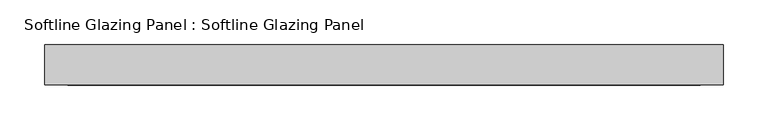
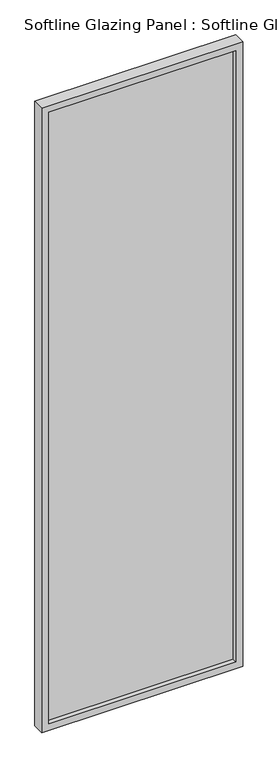
"""IFC4 building model written with IfcOpenShell, lengths in millimetres: plate geometry, Softline Glazing Panel : Softline Glazing Panel."""

from ifc_helpers import new_model, si_unit, frame, origin, place, context, project, spatial, polyline, outline, extrude, faceted_brep, source, transform, mapped, element, save


def softline_glazing_panel_softline_glazing_panel_fbdb63d7(model_context):
    return source(origin(), model_context, "Body", "SolidModel", [
        extrude(outline(polyline([(364.0, 4.0), (364.0, -4.0), (-364.0, -4.0), (-364.0, 4.0), (364.0, 4.0)])), frame((0.0, 0.0, 16.0), z_axis=(0.0, 0.0, 1.0), x_axis=(1.0, 0.0, 0.0)), (0.0, 0.0, 1.0), 2468.0),
        faceted_brep([(354.0, 4.0, 26.0), (354.0, 22.5, 26.0), (-354.0, 22.5, 26.0), (-354.0, 4.0, 26.0), (364.0, -4.0, 16.0), (364.0, 4.0, 16.0), (-364.0, 4.0, 16.0), (-364.0, -4.0, 16.0), (354.0, -22.5, 26.0), (354.0, -4.0, 26.0), (-354.0, -4.0, 26.0), (-354.0, -22.5, 26.0), (380.0, 22.5, 0.0), (380.0, -22.5, 0.0), (-380.0, -22.5, 0.0), (-380.0, 22.5, 0.0), (-354.0, 22.5, 2474.0), (-354.0, 4.0, 2474.0), (-364.0, 4.0, 2484.0), (-364.0, -4.0, 2484.0), (-354.0, -4.0, 2474.0), (-354.0, -22.5, 2474.0), (-380.0, -22.5, 2500.0), (-380.0, 22.5, 2500.0), (354.0, 22.5, 2474.0), (354.0, 4.0, 2474.0), (364.0, 4.0, 2484.0), (364.0, -4.0, 2484.0), (354.0, -4.0, 2474.0), (354.0, -22.5, 2474.0), (380.0, -22.5, 2500.0), (380.0, 22.5, 2500.0)], [[[0, 1, 2, 3]], [[4, 5, 6, 7]], [[8, 9, 10, 11]], [[12, 13, 14, 15]], [[3, 2, 16, 17]], [[7, 6, 18, 19]], [[11, 10, 20, 21]], [[15, 14, 22, 23]], [[17, 16, 24, 25]], [[19, 18, 26, 27]], [[21, 20, 28, 29]], [[23, 22, 30, 31]], [[15, 23, 31, 12], [1, 24, 16, 2]], [[25, 24, 1, 0]], [[5, 26, 18, 6], [3, 17, 25, 0]], [[27, 26, 5, 4]], [[7, 19, 27, 4], [9, 28, 20, 10]], [[29, 28, 9, 8]], [[13, 30, 22, 14], [11, 21, 29, 8]], [[31, 30, 13, 12]]]),
    ])


if __name__ == "__main__":
    model = new_model("IFC4")
    model_context = context("Model", 3, world=origin())
    ifc_project = project(units=[si_unit("LENGTHUNIT", "METRE", prefix="MILLI")], contexts=[model_context])
    site = spatial("IfcSite", under=ifc_project)
    building = spatial("IfcBuilding", under=site)
    placement = place(None, origin())
    softline_glazing_panel_softline_glazing_panel_shape = softline_glazing_panel_softline_glazing_panel_fbdb63d7(model_context)
    element("IfcPlate", 1, ObjectType="Softline Glazing Panel : Softline Glazing Panel", at=placement, inside=building, context=model_context, shape_type="MappedRepresentation", body=[
        mapped(softline_glazing_panel_softline_glazing_panel_shape, transform((0.0, 0.0, 0.0), x_axis=(1.0, 0.0, 0.0), y_axis=(0.0, 1.0, 0.0), z_axis=(0.0, 0.0, 1.0))),
    ])
    save(model, "model.ifc")
